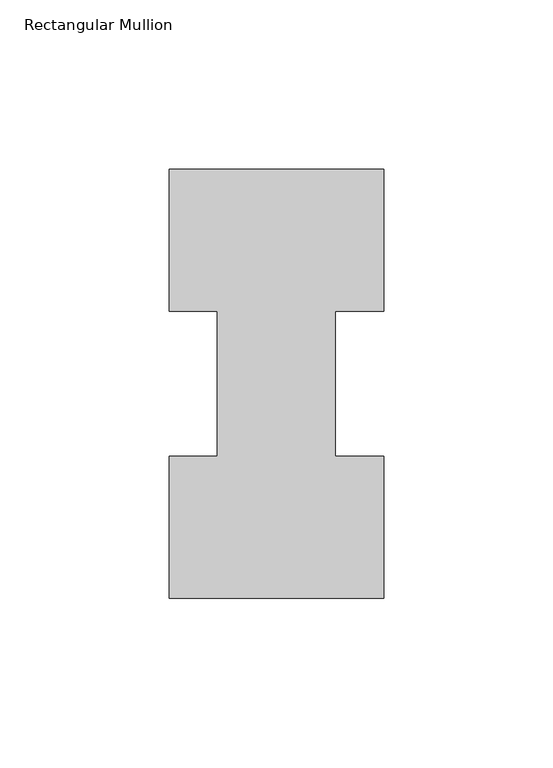
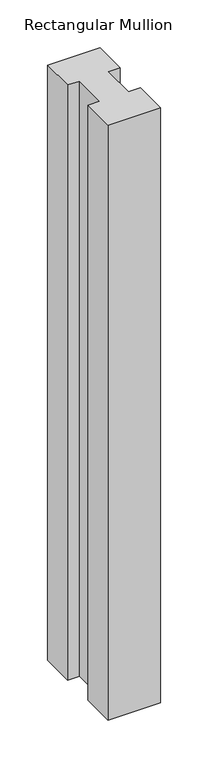
"""IFC4 building model written with IfcOpenShell, lengths in millimetres: member geometry, Rectangular Mullion."""

from ifc_helpers import new_model, si_unit, frame, origin, place, context, project, spatial, polyline, outline, extrude, source, transform, mapped, element, save


def rectangular_mullion_0a7a386f(model_context):
    return source(origin(), model_context, "Body", "SweptSolid", [
        extrude(outline(polyline([(-31.75, 127.00635), (31.75, 127.00635), (31.75, 84.93125), (17.4625, 84.93125), (17.4625, 42.08145), (31.75, 42.08145), (31.75, 0.00635), (-31.75, 0.00635), (-31.75, 42.08145), (-17.4625, 42.08145), (-17.4625, 84.93125), (-31.75, 84.93125), (-31.75, 127.00635)])), frame((0.0, 0.0, -762.0227299), z_axis=(0.0, 0.0, 1.0), x_axis=(1.0, 0.0, 0.0)), (0.0, 0.0, 1.0), 762.0227299),
    ])


if __name__ == "__main__":
    model = new_model("IFC4")
    model_context = context("Model", 3, world=origin())
    ifc_project = project(units=[si_unit("LENGTHUNIT", "METRE", prefix="MILLI")], contexts=[model_context])
    site = spatial("IfcSite", under=ifc_project)
    building = spatial("IfcBuilding", under=site)
    placement = place(None, origin())
    rectangular_mullion_shape = rectangular_mullion_0a7a386f(model_context)
    element("IfcMember", 1, ObjectType="Rectangular Mullion", at=placement, inside=building, context=model_context, shape_type="MappedRepresentation", body=[
        mapped(rectangular_mullion_shape, transform((0.0, 0.0, 0.0), x_axis=(1.0, 0.0, 0.0), y_axis=(0.0, 1.0, 0.0), z_axis=(0.0, 0.0, 1.0))),
    ])
    save(model, "model.ifc")
